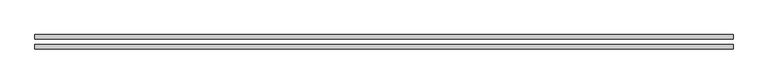
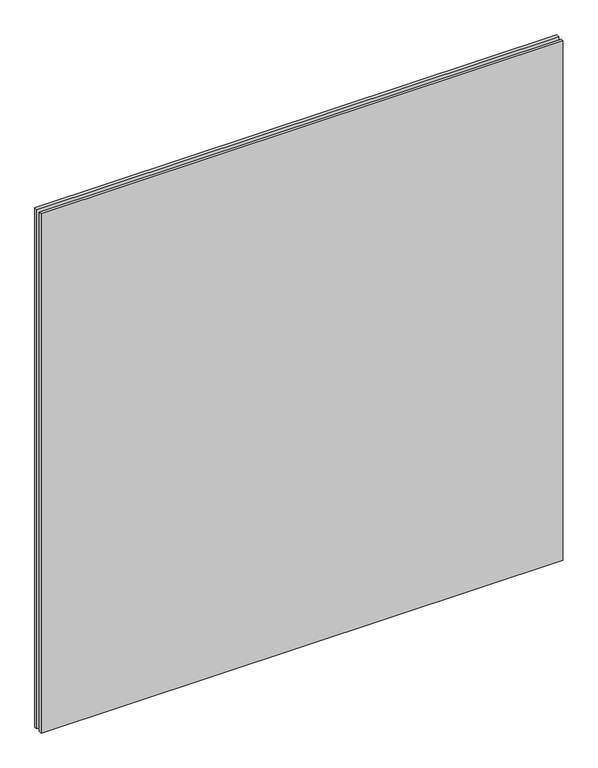
"""IFC4 building model written with IfcOpenShell, lengths in millimetres: plate geometry."""

from ifc_helpers import new_model, si_unit, origin, origin_with_axes, place, context, project, spatial, polyline, outline, extrude, source, transform, mapped, element, save


def plate_c74bf6bd(model_context):
    return source(origin(), model_context, "Body", "SweptSolid", [
        extrude(outline(polyline([(616.65, -40.8), (-616.65, -40.8), (-616.65, -32.8), (616.65, -32.8), (616.65, -40.8)])), origin_with_axes(), (0.0, 0.0, 1.0), 1295.5),
        extrude(outline(polyline([(616.65, -23.8), (-616.65, -23.8), (-616.65, -15.8), (616.65, -15.8), (616.65, -23.8)])), origin_with_axes(), (0.0, 0.0, 1.0), 1295.5),
    ])


if __name__ == "__main__":
    model = new_model("IFC4")
    model_context = context("Model", 3, world=origin())
    ifc_project = project(units=[si_unit("LENGTHUNIT", "METRE", prefix="MILLI")], contexts=[model_context])
    site = spatial("IfcSite", under=ifc_project)
    building = spatial("IfcBuilding", under=site)
    placement = place(None, origin())
    plate_shape = plate_c74bf6bd(model_context)
    element("IfcPlate", 1, at=placement, inside=building, context=model_context, shape_type="MappedRepresentation", body=[
        mapped(plate_shape, transform((0.0, 0.0, 0.0), x_axis=(1.0, 0.0, 0.0), y_axis=(0.0, 1.0, 0.0), z_axis=(0.0, 0.0, 1.0))),
    ])
    save(model, "model.ifc")
